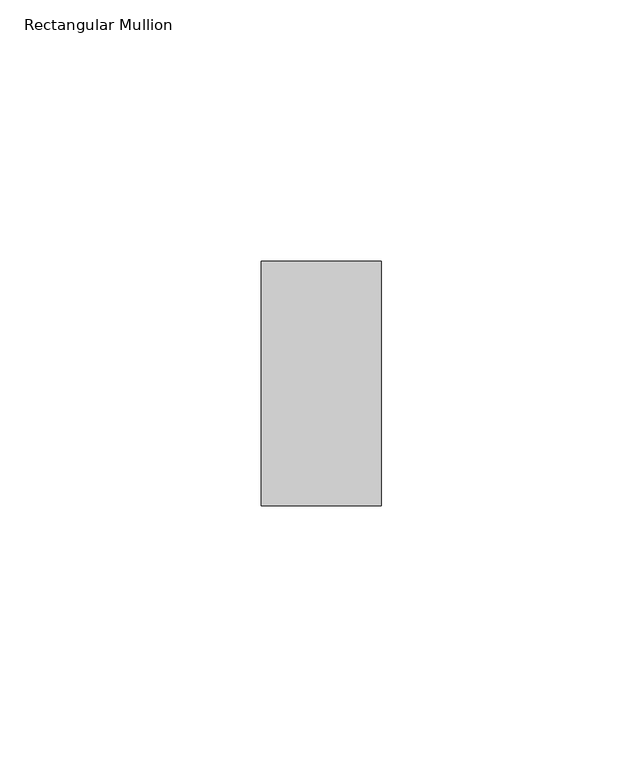
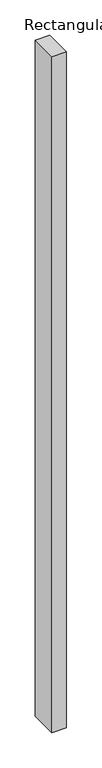
"""IFC4 building model written with IfcOpenShell, lengths in millimetres: member geometry, Rectangular Mullion."""

from ifc_helpers import new_model, si_unit, frame, origin, place, context, project, spatial, polyline, outline, extrude, source, transform, mapped, element, save


def rectangular_mullion_c65c2fb2(model_context):
    return source(origin(), model_context, "Body", "SweptSolid", [
        extrude(outline(polyline([(0.0, -23.4), (-23.0, -23.4), (-23.0, 23.4), (0.0, 23.4), (0.0, -23.4)])), frame((0.0, 0.0, -1165.0), z_axis=(0.0, 0.0, 1.0), x_axis=(1.0, 0.0, 0.0)), (0.0, 0.0, 1.0), 1165.0),
    ])


if __name__ == "__main__":
    model = new_model("IFC4")
    model_context = context("Model", 3, world=origin())
    ifc_project = project(units=[si_unit("LENGTHUNIT", "METRE", prefix="MILLI")], contexts=[model_context])
    site = spatial("IfcSite", under=ifc_project)
    building = spatial("IfcBuilding", under=site)
    placement = place(None, origin())
    rectangular_mullion_shape = rectangular_mullion_c65c2fb2(model_context)
    element("IfcMember", 1, ObjectType="Rectangular Mullion", at=placement, inside=building, context=model_context, shape_type="MappedRepresentation", body=[
        mapped(rectangular_mullion_shape, transform((0.0, 0.0, 0.0), x_axis=(1.0, 0.0, 0.0), y_axis=(0.0, 1.0, 0.0), z_axis=(0.0, 0.0, 1.0))),
    ])
    save(model, "model.ifc")
